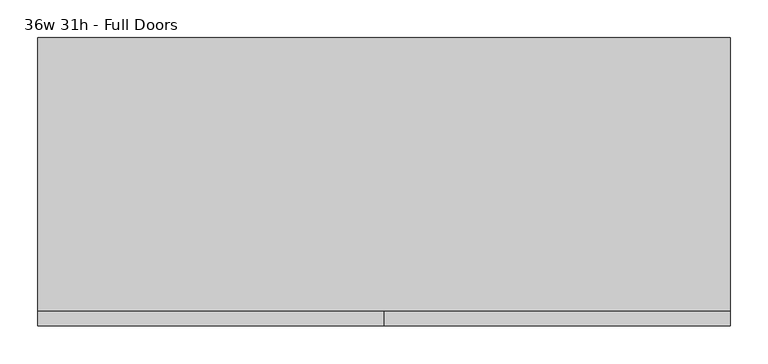
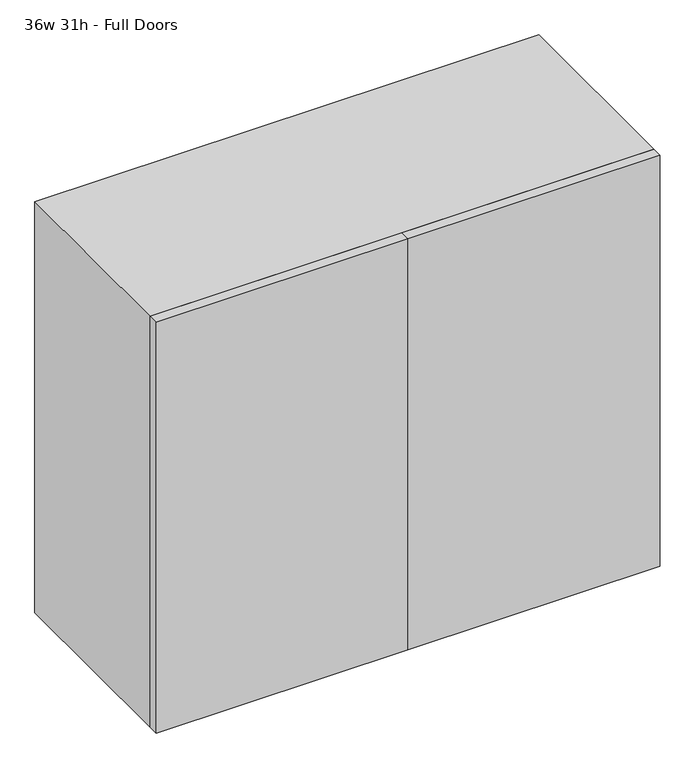
"""IFC4 building model written with IfcOpenShell, lengths in millimetres: furniture geometry, 36w 31h - Full Doors."""

from ifc_helpers import new_model, si_unit, frame, origin, place, context, project, spatial, polyline, outline, extrude, source, transform, mapped, element, save


def furniture_36w_31h_full_doors_671480e3(model_context):
    return source(origin(), model_context, "Body", "SweptSolid", [
        extrude(outline(polyline([(438.1569453, 161.925), (438.1569453, -180.975), (-438.1291641, -180.975), (-438.1291641, 161.925), (438.1569453, 161.925)])), frame((0.0, 0.0, 1258.3583333), z_axis=(0.0, 0.0, 1.0), x_axis=(1.0, 0.0, 0.0)), (0.0, 0.0, 1.0), 19.05),
        extrude(outline(polyline([(438.1569453, 161.925), (438.1569453, -180.975), (-438.1291641, -180.975), (-438.1291641, 161.925), (438.1569453, 161.925)])), frame((0.0, 0.0, 983.1916667), z_axis=(0.0, 0.0, 1.0), x_axis=(1.0, 0.0, 0.0)), (0.0, 0.0, 1.0), 19.05),
        extrude(outline(polyline([(0.0138906, -200.025), (0.0138906, -180.975), (457.2138906, -180.975), (457.2138906, -200.025), (0.0138906, -200.025)])), frame((0.0, 0.0, 736.6), z_axis=(0.0, 0.0, 1.0), x_axis=(1.0, 0.0, 0.0)), (0.0, 0.0, 1.0), 787.4),
        extrude(outline(polyline([(0.0138906, -200.025), (-457.1861094, -200.025), (-457.1861094, -180.975), (0.0138906, -180.975), (0.0138906, -200.025)])), frame((0.0, 0.0, 736.6), z_axis=(0.0, 0.0, 1.0), x_axis=(1.0, 0.0, 0.0)), (0.0, 0.0, 1.0), 787.4),
        extrude(outline(polyline([(736.6, -457.1861094), (736.6, 457.2138906), (1524.0, 457.2138906), (1524.0, -457.1861094), (736.6, -457.1861094)]), holes=[polyline([(755.65, -438.1361094), (1504.95, -438.1361094), (1504.95, 438.1569453), (755.65, 438.1569453), (755.65, -438.1361094)])]), frame((0.0, -180.975, 0.0), z_axis=(0.0, 1.0, 0.0), x_axis=(0.0, 0.0, 1.0)), (0.0, 0.0, 1.0), 361.95),
        extrude(outline(polyline([(-438.1291641, 161.925), (-438.1291641, 180.975), (438.1569453, 180.975), (438.1569453, 161.925), (-438.1291641, 161.925)])), frame((0.0, 0.0, 755.65), z_axis=(0.0, 0.0, 1.0), x_axis=(1.0, 0.0, 0.0)), (0.0, 0.0, 1.0), 749.3),
    ])


if __name__ == "__main__":
    model = new_model("IFC4")
    model_context = context("Model", 3, world=origin())
    ifc_project = project(units=[si_unit("LENGTHUNIT", "METRE", prefix="MILLI")], contexts=[model_context])
    site = spatial("IfcSite", under=ifc_project)
    building = spatial("IfcBuilding", under=site)
    placement = place(None, origin())
    furniture_36w_31h_full_doors_shape = furniture_36w_31h_full_doors_671480e3(model_context)
    element("IfcFurniture", 1, ObjectType="36w 31h - Full Doors", at=placement, inside=building, context=model_context, shape_type="MappedRepresentation", body=[
        mapped(furniture_36w_31h_full_doors_shape, transform((0.0, 0.0, 0.0), x_axis=(1.0, 0.0, 0.0), y_axis=(0.0, 1.0, 0.0), z_axis=(0.0, 0.0, 1.0))),
    ])
    save(model, "model.ifc")
